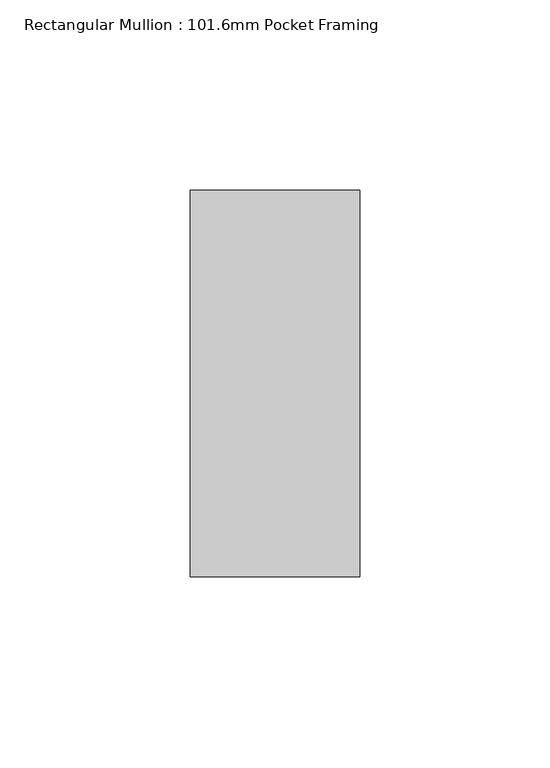
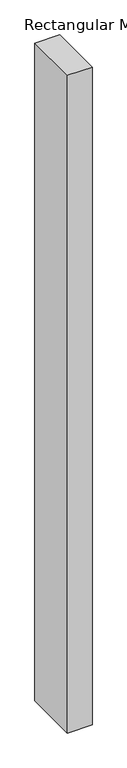
"""IFC4 building model written with IfcOpenShell, lengths in millimetres: member geometry, Rectangular Mullion : 101.6mm Pocket Framing."""

from ifc_helpers import new_model, si_unit, frame, origin, place, context, project, spatial, polyline, outline, extrude, source, transform, mapped, element, save


def rectangular_mullion_101_6mm_pocket_framing_02036024(model_context):
    return source(origin(), model_context, "Body", "SweptSolid", [
        extrude(outline(polyline([(22.3, 50.8), (22.3, -50.8), (-22.2, -50.8), (-22.2, 50.8), (22.3, 50.8)])), frame((0.0, 0.0, -1255.5), z_axis=(0.0, 0.0, 1.0), x_axis=(1.0, 0.0, 0.0)), (0.0, 0.0, 1.0), 1255.5),
    ])


if __name__ == "__main__":
    model = new_model("IFC4")
    model_context = context("Model", 3, world=origin())
    ifc_project = project(units=[si_unit("LENGTHUNIT", "METRE", prefix="MILLI")], contexts=[model_context])
    site = spatial("IfcSite", under=ifc_project)
    building = spatial("IfcBuilding", under=site)
    placement = place(None, origin())
    rectangular_mullion_101_6mm_pocket_framing_shape = rectangular_mullion_101_6mm_pocket_framing_02036024(model_context)
    element("IfcMember", 1, ObjectType="Rectangular Mullion : 101.6mm Pocket Framing", at=placement, inside=building, context=model_context, shape_type="MappedRepresentation", body=[
        mapped(rectangular_mullion_101_6mm_pocket_framing_shape, transform((0.0, 0.0, 0.0), x_axis=(1.0, 0.0, 0.0), y_axis=(0.0, 1.0, 0.0), z_axis=(0.0, 0.0, 1.0))),
    ])
    save(model, "model.ifc")
